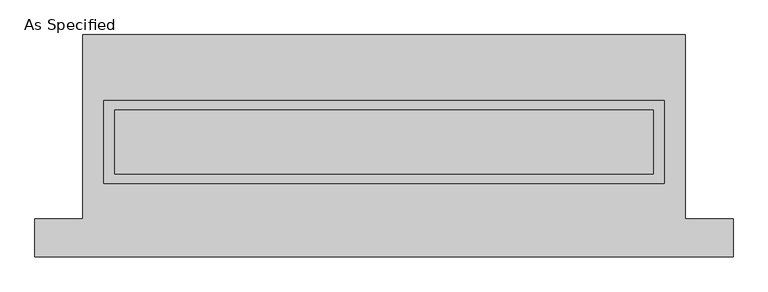
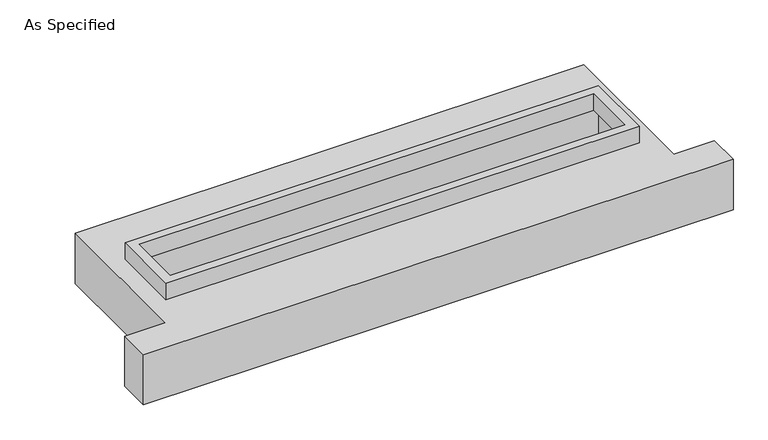
"""IFC4 building model written with IfcOpenShell, lengths in millimetres: proxy geometry, As Specified."""

from ifc_helpers import new_model, si_unit, frame, origin, place, context, project, spatial, polyline, outline, extrude, faceted_brep, source, transform, mapped, element, save


def as_specified_f5c096b3(model_context):
    return source(origin(), model_context, "Body", "SolidModel", [
        extrude(outline(polyline([(2222.5, 361.95), (2222.5, -298.45), (-2222.5, -298.45), (-2222.5, 361.95), (2222.5, 361.95)]), holes=[polyline([(2133.6, 285.75), (-2133.6, 285.75), (-2133.6, -222.25), (2133.6, -222.25), (2133.6, 285.75)])]), frame((0.0, 0.0, -25.4), z_axis=(0.0, 0.0, 1.0), x_axis=(1.0, 0.0, 0.0)), (0.0, 0.0, 1.0), 165.1),
        faceted_brep([(-2387.6, 882.65, -523.875), (2387.6, 882.65, -523.875), (2387.6, -577.85, -523.875), (2768.6, -577.85, -523.875), (2768.6, -882.65, -523.875), (-2768.6, -882.65, -523.875), (-2768.6, -577.85, -523.875), (-2387.6, -577.85, -523.875), (2387.6, 882.65, -25.4), (-2387.6, 882.65, -25.4), (-2387.6, -577.85, -25.4), (-2768.6, -577.85, -25.4), (-2768.6, -882.65, -25.4), (2768.6, -882.65, -25.4), (2768.6, -577.85, -25.4), (2387.6, -577.85, -25.4), (-2222.5, -298.45, -25.4), (-2222.5, 361.95, -25.4), (2222.5, 361.95, -25.4), (2222.5, -298.45, -25.4), (2222.5, 361.95, -498.475), (-2222.5, 361.95, -498.475), (-2222.5, -298.45, -498.475), (2222.5, -298.45, -498.475)], [[[0, 1, 2, 3, 4, 5, 6, 7]], [[8, 9, 10, 11, 12, 13, 14, 15], [16, 17, 18, 19]], [[1, 0, 9, 8]], [[9, 0, 7, 10]], [[1, 8, 15, 2]], [[20, 21, 22, 23]], [[22, 21, 17, 16]], [[21, 20, 18, 17]], [[20, 23, 19, 18]], [[23, 22, 16, 19]], [[5, 4, 13, 12]], [[3, 2, 15, 14]], [[4, 3, 14, 13]], [[7, 6, 11, 10]], [[6, 5, 12, 11]]]),
    ])


if __name__ == "__main__":
    model = new_model("IFC4")
    model_context = context("Model", 3, world=origin())
    ifc_project = project(units=[si_unit("LENGTHUNIT", "METRE", prefix="MILLI")], contexts=[model_context])
    site = spatial("IfcSite", under=ifc_project)
    building = spatial("IfcBuilding", under=site)
    placement = place(None, origin())
    as_specified_shape = as_specified_f5c096b3(model_context)
    element("IfcBuildingElementProxy", 1, Name="As Specified", ObjectType="As Specified", at=placement, inside=building, context=model_context, shape_type="MappedRepresentation", body=[
        mapped(as_specified_shape, transform((0.0, 0.0, 0.0), x_axis=(1.0, 0.0, 0.0), y_axis=(0.0, 1.0, 0.0), z_axis=(0.0, 0.0, 1.0))),
    ])
    save(model, "model.ifc")
